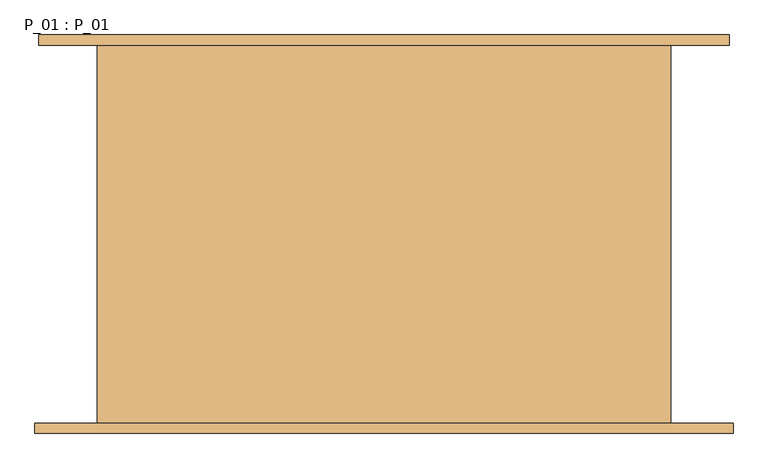
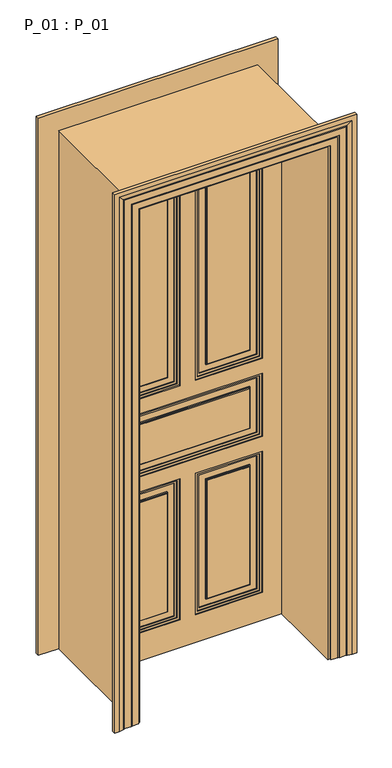
"""IFC4 building model written with IfcOpenShell, lengths in millimetres: door geometry, P_01 : P_01."""

from ifc_helpers import new_model, si_unit, frame, origin, origin_with_axes, place, context, project, spatial, polyline, outline, extrude, faceted_brep, source, transform, mapped, element, save


def p_01_p_01_f1260c46(model_context):
    return source(origin(), model_context, "Body", "SolidModel", [
        extrude(outline(polyline([(2300.0, 45.0), (1235.0, 45.0), (1235.0, 320.0), (2300.0, 320.0), (2300.0, 45.0)]), holes=[polyline([(2290.0, 55.0), (2290.0, 310.0), (1245.0, 310.0), (1245.0, 55.0), (2290.0, 55.0)])]), frame((0.0, 71.0, 0.0), z_axis=(0.0, 1.0, 0.0), x_axis=(0.0, 0.0, 1.0)), (0.0, 0.0, 1.0), 4.0),
        extrude(outline(polyline([(2300.0, -320.0), (1235.0, -320.0), (1235.0, -45.0), (2300.0, -45.0), (2300.0, -320.0)]), holes=[polyline([(2290.0, -310.0), (2290.0, -55.0), (1245.0, -55.0), (1245.0, -310.0), (2290.0, -310.0)])]), frame((0.0, 71.0, 0.0), z_axis=(0.0, 1.0, 0.0), x_axis=(0.0, 0.0, 1.0)), (0.0, 0.0, 1.0), 4.0),
        extrude(outline(polyline([(780.0, 45.0), (140.0, 45.0), (140.0, 320.0), (780.0, 320.0), (780.0, 45.0)]), holes=[polyline([(770.0, 55.0), (770.0, 310.0), (150.0, 310.0), (150.0, 55.0), (770.0, 55.0)])]), frame((0.0, 71.0, 0.0), z_axis=(0.0, 1.0, 0.0), x_axis=(0.0, 0.0, 1.0)), (0.0, 0.0, 1.0), 4.0),
        extrude(outline(polyline([(780.0, -320.0), (140.0, -320.0), (140.0, -45.0), (780.0, -45.0), (780.0, -320.0)]), holes=[polyline([(770.0, -310.0), (770.0, -55.0), (150.0, -55.0), (150.0, -310.0), (770.0, -310.0)])]), frame((0.0, 71.0, 0.0), z_axis=(0.0, 1.0, 0.0), x_axis=(0.0, 0.0, 1.0)), (0.0, 0.0, 1.0), 4.0),
        extrude(outline(polyline([(740.0, 85.0), (180.0, 85.0), (180.0, 280.0), (740.0, 280.0), (740.0, 85.0)]), holes=[polyline([(735.0, 90.0), (735.0, 275.0), (185.0, 275.0), (185.0, 90.0), (735.0, 90.0)])]), frame((0.0, 71.0, 0.0), z_axis=(0.0, 1.0, 0.0), x_axis=(0.0, 0.0, 1.0)), (0.0, 0.0, 1.0), 4.0),
        extrude(outline(polyline([(740.0, -280.0), (180.0, -280.0), (180.0, -85.0), (740.0, -85.0), (740.0, -280.0)]), holes=[polyline([(735.0, -275.0), (735.0, -90.0), (185.0, -90.0), (185.0, -275.0), (735.0, -275.0)])]), frame((0.0, 71.0, 0.0), z_axis=(0.0, 1.0, 0.0), x_axis=(0.0, 0.0, 1.0)), (0.0, 0.0, 1.0), 4.0),
        extrude(outline(polyline([(1145.0, -320.0), (870.0, -320.0), (870.0, 320.0), (1145.0, 320.0), (1145.0, -320.0)]), holes=[polyline([(1135.0, -310.0), (1135.0, 310.0), (880.0, 310.0), (880.0, -310.0), (1135.0, -310.0)])]), frame((0.0, 71.0, 0.0), z_axis=(0.0, 1.0, 0.0), x_axis=(0.0, 0.0, 1.0)), (0.0, 0.0, 1.0), 4.0),
        extrude(outline(polyline([(1105.0, -280.0), (910.0, -280.0), (910.0, 280.0), (1105.0, 280.0), (1105.0, -280.0)]), holes=[polyline([(1100.0, -275.0), (1100.0, 275.0), (915.0, 275.0), (915.0, -275.0), (1100.0, -275.0)])]), frame((0.0, 71.0, 0.0), z_axis=(0.0, 1.0, 0.0), x_axis=(0.0, 0.0, 1.0)), (0.0, 0.0, 1.0), 4.0),
        extrude(outline(polyline([(2260.0, 85.0), (1275.0, 85.0), (1275.0, 280.0), (2260.0, 280.0), (2260.0, 85.0)]), holes=[polyline([(2255.0, 90.0), (2255.0, 275.0), (1280.0, 275.0), (1280.0, 90.0), (2255.0, 90.0)])]), frame((0.0, 71.0, 0.0), z_axis=(0.0, 1.0, 0.0), x_axis=(0.0, 0.0, 1.0)), (0.0, 0.0, 1.0), 4.0),
        extrude(outline(polyline([(1275.0, -280.0), (1275.0, -85.0), (2260.0, -85.0), (2260.0, -280.0), (1275.0, -280.0)]), holes=[polyline([(1280.0, -275.0), (2255.0, -275.0), (2255.0, -90.0), (1280.0, -90.0), (1280.0, -275.0)])]), frame((0.0, 71.0, 0.0), z_axis=(0.0, 1.0, 0.0), x_axis=(0.0, 0.0, 1.0)), (0.0, 0.0, 1.0), 4.0),
        extrude(outline(polyline([(90.0, 75.0), (275.0, 75.0), (275.0, 67.0), (90.0, 67.0), (90.0, 75.0)])), frame((0.0, 0.0, 185.0), z_axis=(0.0, 0.0, 1.0), x_axis=(1.0, 0.0, 0.0)), (0.0, 0.0, 1.0), 550.0),
        extrude(outline(polyline([(-275.0, 75.0), (-90.0, 75.0), (-90.0, 67.0), (-275.0, 67.0), (-275.0, 75.0)])), frame((0.0, 0.0, 185.0), z_axis=(0.0, 0.0, 1.0), x_axis=(1.0, 0.0, 0.0)), (0.0, 0.0, 1.0), 550.0),
        extrude(outline(polyline([(-275.0, 75.0), (275.0, 75.0), (275.0, 67.0), (-275.0, 67.0), (-275.0, 75.0)])), frame((0.0, 0.0, 915.0), z_axis=(0.0, 0.0, 1.0), x_axis=(1.0, 0.0, 0.0)), (0.0, 0.0, 1.0), 185.0),
        extrude(outline(polyline([(90.0, 75.0), (275.0, 75.0), (275.0, 67.0), (90.0, 67.0), (90.0, 75.0)])), frame((0.0, 0.0, 1280.0), z_axis=(0.0, 0.0, 1.0), x_axis=(1.0, 0.0, 0.0)), (0.0, 0.0, 1.0), 975.0),
        extrude(outline(polyline([(-275.0, 75.0), (-90.0, 75.0), (-90.0, 67.0), (-275.0, 67.0), (-275.0, 75.0)])), frame((0.0, 0.0, 1280.0), z_axis=(0.0, 0.0, 1.0), x_axis=(1.0, 0.0, 0.0)), (0.0, 0.0, 1.0), 975.0),
        extrude(outline(polyline([(2310.0, -35.0), (2310.0, -330.0), (1225.0, -330.0), (1225.0, -35.0), (2310.0, -35.0)]), holes=[polyline([(2300.0, -320.0), (2300.0, -45.0), (1235.0, -45.0), (1235.0, -320.0), (2300.0, -320.0)])]), frame((0.0, 67.0, 0.0), z_axis=(0.0, 1.0, 0.0), x_axis=(0.0, 0.0, 1.0)), (0.0, 0.0, 1.0), 8.0),
        extrude(outline(polyline([(1225.0, 330.0), (2310.0, 330.0), (2310.0, 35.0), (1225.0, 35.0), (1225.0, 330.0)]), holes=[polyline([(2300.0, 45.0), (2300.0, 320.0), (1235.0, 320.0), (1235.0, 45.0), (2300.0, 45.0)])]), frame((0.0, 67.0, 0.0), z_axis=(0.0, 1.0, 0.0), x_axis=(0.0, 0.0, 1.0)), (0.0, 0.0, 1.0), 8.0),
        extrude(outline(polyline([(790.0, -330.0), (130.0, -330.0), (130.0, -35.0), (790.0, -35.0), (790.0, -330.0)]), holes=[polyline([(780.0, -320.0), (780.0, -45.0), (140.0, -45.0), (140.0, -320.0), (780.0, -320.0)])]), frame((0.0, 67.0, 0.0), z_axis=(0.0, 1.0, 0.0), x_axis=(0.0, 0.0, 1.0)), (0.0, 0.0, 1.0), 8.0),
        extrude(outline(polyline([(130.0, 330.0), (790.0, 330.0), (790.0, 35.0), (130.0, 35.0), (130.0, 330.0)]), holes=[polyline([(780.0, 45.0), (780.0, 320.0), (140.0, 320.0), (140.0, 45.0), (780.0, 45.0)])]), frame((0.0, 67.0, 0.0), z_axis=(0.0, 1.0, 0.0), x_axis=(0.0, 0.0, 1.0)), (0.0, 0.0, 1.0), 8.0),
        extrude(outline(polyline([(1155.0, -330.0), (860.0, -330.0), (860.0, 330.0), (1155.0, 330.0), (1155.0, -330.0)]), holes=[polyline([(1145.0, -320.0), (1145.0, 320.0), (870.0, 320.0), (870.0, -320.0), (1145.0, -320.0)])]), frame((0.0, 67.0, 0.0), z_axis=(0.0, 1.0, 0.0), x_axis=(0.0, 0.0, 1.0)), (0.0, 0.0, 1.0), 8.0),
        extrude(outline(polyline([(0.0, 415.0), (2395.0, 415.0), (2395.0, -415.0), (0.0, -415.0), (0.0, 415.0)]), holes=[polyline([(1225.0, 35.0), (2310.0, 35.0), (2310.0, 330.0), (1225.0, 330.0), (1225.0, 35.0)]), polyline([(1225.0, -35.0), (1225.0, -330.0), (2310.0, -330.0), (2310.0, -35.0), (1225.0, -35.0)]), polyline([(790.0, -35.0), (130.0, -35.0), (130.0, -330.0), (790.0, -330.0), (790.0, -35.0)]), polyline([(130.0, 35.0), (790.0, 35.0), (790.0, 330.0), (130.0, 330.0), (130.0, 35.0)]), polyline([(1155.0, 330.0), (860.0, 330.0), (860.0, -330.0), (1155.0, -330.0), (1155.0, 330.0)])]), frame((0.0, 63.0, 0.0), z_axis=(0.0, 1.0, 0.0), x_axis=(0.0, 0.0, 1.0)), (0.0, 0.0, 1.0), 12.0),
        extrude(outline(polyline([(275.0, 85.0), (90.0, 85.0), (90.0, 93.0), (275.0, 93.0), (275.0, 85.0)])), frame((0.0, 0.0, 185.0), z_axis=(0.0, 0.0, 1.0), x_axis=(1.0, 0.0, 0.0)), (0.0, 0.0, 1.0), 550.0),
        extrude(outline(polyline([(-90.0, 85.0), (-275.0, 85.0), (-275.0, 93.0), (-90.0, 93.0), (-90.0, 85.0)])), frame((0.0, 0.0, 185.0), z_axis=(0.0, 0.0, 1.0), x_axis=(1.0, 0.0, 0.0)), (0.0, 0.0, 1.0), 550.0),
        extrude(outline(polyline([(275.0, 85.0), (-275.0, 85.0), (-275.0, 93.0), (275.0, 93.0), (275.0, 85.0)])), frame((0.0, 0.0, 915.0), z_axis=(0.0, 0.0, 1.0), x_axis=(1.0, 0.0, 0.0)), (0.0, 0.0, 1.0), 185.0),
        extrude(outline(polyline([(275.0, 85.0), (90.0, 85.0), (90.0, 93.0), (275.0, 93.0), (275.0, 85.0)])), frame((0.0, 0.0, 1280.0), z_axis=(0.0, 0.0, 1.0), x_axis=(1.0, 0.0, 0.0)), (0.0, 0.0, 1.0), 975.0),
        extrude(outline(polyline([(-90.0, 85.0), (-275.0, 85.0), (-275.0, 93.0), (-90.0, 93.0), (-90.0, 85.0)])), frame((0.0, 0.0, 1280.0), z_axis=(0.0, 0.0, 1.0), x_axis=(1.0, 0.0, 0.0)), (0.0, 0.0, 1.0), 975.0),
        extrude(outline(polyline([(420.0, 75.0), (-420.0, 75.0), (-420.0, 85.0), (420.0, 85.0), (420.0, 75.0)])), origin_with_axes(), (0.0, 0.0, 1.0), 2400.0),
        extrude(outline(polyline([(2300.0, 45.0), (1235.0, 45.0), (1235.0, 320.0), (2300.0, 320.0), (2300.0, 45.0)]), holes=[polyline([(2290.0, 55.0), (2290.0, 310.0), (1245.0, 310.0), (1245.0, 55.0), (2290.0, 55.0)])]), frame((0.0, 85.0, 0.0), z_axis=(0.0, 1.0, 0.0), x_axis=(0.0, 0.0, 1.0)), (0.0, 0.0, 1.0), 4.0),
        extrude(outline(polyline([(2300.0, -320.0), (1235.0, -320.0), (1235.0, -45.0), (2300.0, -45.0), (2300.0, -320.0)]), holes=[polyline([(2290.0, -310.0), (2290.0, -55.0), (1245.0, -55.0), (1245.0, -310.0), (2290.0, -310.0)])]), frame((0.0, 85.0, 0.0), z_axis=(0.0, 1.0, 0.0), x_axis=(0.0, 0.0, 1.0)), (0.0, 0.0, 1.0), 4.0),
        extrude(outline(polyline([(780.0, 45.0), (140.0, 45.0), (140.0, 320.0), (780.0, 320.0), (780.0, 45.0)]), holes=[polyline([(770.0, 55.0), (770.0, 310.0), (150.0, 310.0), (150.0, 55.0), (770.0, 55.0)])]), frame((0.0, 85.0, 0.0), z_axis=(0.0, 1.0, 0.0), x_axis=(0.0, 0.0, 1.0)), (0.0, 0.0, 1.0), 4.0),
        extrude(outline(polyline([(780.0, -320.0), (140.0, -320.0), (140.0, -45.0), (780.0, -45.0), (780.0, -320.0)]), holes=[polyline([(770.0, -310.0), (770.0, -55.0), (150.0, -55.0), (150.0, -310.0), (770.0, -310.0)])]), frame((0.0, 85.0, 0.0), z_axis=(0.0, 1.0, 0.0), x_axis=(0.0, 0.0, 1.0)), (0.0, 0.0, 1.0), 4.0),
        extrude(outline(polyline([(740.0, 85.0), (180.0, 85.0), (180.0, 280.0), (740.0, 280.0), (740.0, 85.0)]), holes=[polyline([(735.0, 90.0), (735.0, 275.0), (185.0, 275.0), (185.0, 90.0), (735.0, 90.0)])]), frame((0.0, 85.0, 0.0), z_axis=(0.0, 1.0, 0.0), x_axis=(0.0, 0.0, 1.0)), (0.0, 0.0, 1.0), 4.0),
        extrude(outline(polyline([(740.0, -280.0), (180.0, -280.0), (180.0, -85.0), (740.0, -85.0), (740.0, -280.0)]), holes=[polyline([(735.0, -275.0), (735.0, -90.0), (185.0, -90.0), (185.0, -275.0), (735.0, -275.0)])]), frame((0.0, 85.0, 0.0), z_axis=(0.0, 1.0, 0.0), x_axis=(0.0, 0.0, 1.0)), (0.0, 0.0, 1.0), 4.0),
        extrude(outline(polyline([(1145.0, -320.0), (870.0, -320.0), (870.0, 320.0), (1145.0, 320.0), (1145.0, -320.0)]), holes=[polyline([(1135.0, -310.0), (1135.0, 310.0), (880.0, 310.0), (880.0, -310.0), (1135.0, -310.0)])]), frame((0.0, 85.0, 0.0), z_axis=(0.0, 1.0, 0.0), x_axis=(0.0, 0.0, 1.0)), (0.0, 0.0, 1.0), 4.0),
        extrude(outline(polyline([(1105.0, -280.0), (910.0, -280.0), (910.0, 280.0), (1105.0, 280.0), (1105.0, -280.0)]), holes=[polyline([(1100.0, -275.0), (1100.0, 275.0), (915.0, 275.0), (915.0, -275.0), (1100.0, -275.0)])]), frame((0.0, 85.0, 0.0), z_axis=(0.0, 1.0, 0.0), x_axis=(0.0, 0.0, 1.0)), (0.0, 0.0, 1.0), 4.0),
        extrude(outline(polyline([(2260.0, 85.0), (1275.0, 85.0), (1275.0, 280.0), (2260.0, 280.0), (2260.0, 85.0)]), holes=[polyline([(2255.0, 90.0), (2255.0, 275.0), (1280.0, 275.0), (1280.0, 90.0), (2255.0, 90.0)])]), frame((0.0, 85.0, 0.0), z_axis=(0.0, 1.0, 0.0), x_axis=(0.0, 0.0, 1.0)), (0.0, 0.0, 1.0), 4.0),
        extrude(outline(polyline([(1275.0, -280.0), (1275.0, -85.0), (2260.0, -85.0), (2260.0, -280.0), (1275.0, -280.0)]), holes=[polyline([(1280.0, -275.0), (2255.0, -275.0), (2255.0, -90.0), (1280.0, -90.0), (1280.0, -275.0)])]), frame((0.0, 85.0, 0.0), z_axis=(0.0, 1.0, 0.0), x_axis=(0.0, 0.0, 1.0)), (0.0, 0.0, 1.0), 4.0),
        extrude(outline(polyline([(2310.0, -35.0), (2310.0, -330.0), (1225.0, -330.0), (1225.0, -35.0), (2310.0, -35.0)]), holes=[polyline([(2300.0, -320.0), (2300.0, -45.0), (1235.0, -45.0), (1235.0, -320.0), (2300.0, -320.0)])]), frame((0.0, 85.0, 0.0), z_axis=(0.0, 1.0, 0.0), x_axis=(0.0, 0.0, 1.0)), (0.0, 0.0, 1.0), 8.0),
        extrude(outline(polyline([(1225.0, 330.0), (2310.0, 330.0), (2310.0, 35.0), (1225.0, 35.0), (1225.0, 330.0)]), holes=[polyline([(2300.0, 45.0), (2300.0, 320.0), (1235.0, 320.0), (1235.0, 45.0), (2300.0, 45.0)])]), frame((0.0, 85.0, 0.0), z_axis=(0.0, 1.0, 0.0), x_axis=(0.0, 0.0, 1.0)), (0.0, 0.0, 1.0), 8.0),
        extrude(outline(polyline([(790.0, -330.0), (130.0, -330.0), (130.0, -35.0), (790.0, -35.0), (790.0, -330.0)]), holes=[polyline([(780.0, -320.0), (780.0, -45.0), (140.0, -45.0), (140.0, -320.0), (780.0, -320.0)])]), frame((0.0, 85.0, 0.0), z_axis=(0.0, 1.0, 0.0), x_axis=(0.0, 0.0, 1.0)), (0.0, 0.0, 1.0), 8.0),
        extrude(outline(polyline([(130.0, 330.0), (790.0, 330.0), (790.0, 35.0), (130.0, 35.0), (130.0, 330.0)]), holes=[polyline([(780.0, 45.0), (780.0, 320.0), (140.0, 320.0), (140.0, 45.0), (780.0, 45.0)])]), frame((0.0, 85.0, 0.0), z_axis=(0.0, 1.0, 0.0), x_axis=(0.0, 0.0, 1.0)), (0.0, 0.0, 1.0), 8.0),
        extrude(outline(polyline([(1155.0, -330.0), (860.0, -330.0), (860.0, 330.0), (1155.0, 330.0), (1155.0, -330.0)]), holes=[polyline([(1145.0, -320.0), (1145.0, 320.0), (870.0, 320.0), (870.0, -320.0), (1145.0, -320.0)])]), frame((0.0, 85.0, 0.0), z_axis=(0.0, 1.0, 0.0), x_axis=(0.0, 0.0, 1.0)), (0.0, 0.0, 1.0), 8.0),
        extrude(outline(polyline([(0.0, 415.0), (2395.0, 415.0), (2395.0, -415.0), (0.0, -415.0), (0.0, 415.0)]), holes=[polyline([(1225.0, 35.0), (2310.0, 35.0), (2310.0, 330.0), (1225.0, 330.0), (1225.0, 35.0)]), polyline([(1225.0, -35.0), (1225.0, -330.0), (2310.0, -330.0), (2310.0, -35.0), (1225.0, -35.0)]), polyline([(790.0, -35.0), (130.0, -35.0), (130.0, -330.0), (790.0, -330.0), (790.0, -35.0)]), polyline([(130.0, 35.0), (790.0, 35.0), (790.0, 330.0), (130.0, 330.0), (130.0, 35.0)]), polyline([(1155.0, 330.0), (860.0, 330.0), (860.0, -330.0), (1155.0, -330.0), (1155.0, 330.0)])]), frame((0.0, 85.0, 0.0), z_axis=(0.0, 1.0, 0.0), x_axis=(0.0, 0.0, 1.0)), (0.0, 0.0, 1.0), 12.0),
        extrude(outline(polyline([(0.0, 415.0), (0.0, 420.0), (2400.0, 420.0), (2400.0, -420.0), (0.0, -420.0), (0.0, -415.0), (2395.0, -415.0), (2395.0, 415.0), (0.0, 415.0)])), frame((0.0, 85.0, 0.0), z_axis=(0.0, 1.0, 0.0), x_axis=(0.0, 0.0, 1.0)), (0.0, 0.0, 1.0), 5.0),
        faceted_brep([(530.0, 290.0, 0.0), (440.0, 290.0, 0.0), (440.0, -290.0, 0.0), (536.0, -290.0, 0.0), (536.0, -306.0, 0.0), (516.0, -306.0, 0.0), (496.0, -302.0291126, 0.0), (496.0, -301.0291126, 0.0), (491.0, -301.0291126, 0.0), (491.0, -300.0291126, 0.0), (461.0, -300.0291126, 0.0), (461.0, -299.0291126, 0.0), (456.0, -299.0291126, 0.0), (456.0, -298.0291126, 0.0), (426.0, -298.0291126, 0.0), (426.0, -290.0, 0.0), (416.0, -290.0, 0.0), (416.0, 290.0, 0.0), (426.0, 290.0, 0.0), (426.0, 298.0291126, 0.0), (456.0, 298.0291126, 0.0), (456.0, 299.0291126, 0.0), (461.0, 299.0291126, 0.0), (461.0, 300.0291126, 0.0), (485.0, 300.0291126, 0.0), (485.0, 301.0291126, 0.0), (490.0, 301.0291126, 0.0), (490.0, 302.0291126, 0.0), (510.0, 306.0, 0.0), (530.0, 306.0, 0.0), (530.0, 290.0, 2510.0), (-530.0, 290.0, 2510.0), (-530.0, 290.0, 0.0), (-440.0, 290.0, 0.0), (-440.0, 290.0, 2420.0), (440.0, 290.0, 2420.0), (440.0, -290.0, 2420.0), (-440.0, -290.0, 2420.0), (-440.0, -290.0, 0.0), (-536.0, -290.0, 0.0), (-536.0, -290.0, 2516.0), (536.0, -290.0, 2516.0), (536.0, -306.0, 2516.0), (-536.0, -306.0, 2516.0), (-536.0, -306.0, 0.0), (-516.0, -306.0, 0.0), (-516.0, -306.0, 2496.0), (516.0, -306.0, 2496.0), (496.0, -302.0291126, 2476.0), (496.0, -301.0291126, 2476.0), (-496.0, -301.0291126, 2476.0), (-496.0, -301.0291126, 0.0), (-491.0, -301.0291126, 0.0), (-491.0, -301.0291126, 2471.0), (491.0, -301.0291126, 2471.0), (491.0, -300.0291126, 2471.0), (-491.0, -300.0291126, 2471.0), (-491.0, -300.0291126, 0.0), (-461.0, -300.0291126, 0.0), (-461.0, -300.0291126, 2441.0), (461.0, -300.0291126, 2441.0), (461.0, -299.0291126, 2441.0), (-461.0, -299.0291126, 2441.0), (-461.0, -299.0291126, 0.0), (-456.0, -299.0291126, 0.0), (-456.0, -299.0291126, 2436.0), (456.0, -299.0291126, 2436.0), (456.0, -298.0291126, 2436.0), (-456.0, -298.0291126, 2436.0), (-456.0, -298.0291126, 0.0), (-426.0, -298.0291126, 0.0), (-426.0, -298.0291126, 2406.0), (426.0, -298.0291126, 2406.0), (426.0, -290.0, 2406.0), (-426.0, -290.0, 2406.0), (-426.0, -290.0, 0.0), (-416.0, -290.0, 0.0), (-416.0, -290.0, 2396.0), (416.0, -290.0, 2396.0), (416.0, 290.0, 2396.0), (-416.0, 290.0, 2396.0), (-416.0, 290.0, 0.0), (-426.0, 290.0, 0.0), (-426.0, 290.0, 2406.0), (426.0, 290.0, 2406.0), (426.0, 298.0291126, 2406.0), (-426.0, 298.0291126, 2406.0), (-426.0, 298.0291126, 0.0), (-456.0, 298.0291126, 0.0), (-456.0, 298.0291126, 2436.0), (456.0, 298.0291126, 2436.0), (456.0, 299.0291126, 2436.0), (-456.0, 299.0291126, 2436.0), (-456.0, 299.0291126, 0.0), (-461.0, 299.0291126, 0.0), (-461.0, 299.0291126, 2441.0), (461.0, 299.0291126, 2441.0), (461.0, 300.0291126, 2441.0), (-461.0, 300.0291126, 2441.0), (-461.0, 300.0291126, 0.0), (-485.0, 300.0291126, 0.0), (-485.0, 300.0291126, 2465.0), (485.0, 300.0291126, 2465.0), (485.0, 301.0291126, 2465.0), (-485.0, 301.0291126, 2465.0), (-485.0, 301.0291126, 0.0), (-490.0, 301.0291126, 0.0), (-490.0, 301.0291126, 2470.0), (490.0, 301.0291126, 2470.0), (490.0, 302.0291126, 2470.0), (510.0, 306.0, 2490.0), (-510.0, 306.0, 2490.0), (-510.0, 306.0, 0.0), (-530.0, 306.0, 0.0), (-530.0, 306.0, 2510.0), (530.0, 306.0, 2510.0), (-490.0, 302.0291126, 0.0), (-496.0, -302.0291126, 0.0), (-490.0, 302.0291126, 2470.0), (-496.0, -302.0291126, 2476.0)], [[[0, 1, 2, 3, 4, 5, 6, 7, 8, 9, 10, 11, 12, 13, 14, 15, 16, 17, 18, 19, 20, 21, 22, 23, 24, 25, 26, 27, 28, 29]], [[1, 0, 30, 31, 32, 33, 34, 35]], [[2, 1, 35, 36]], [[3, 2, 36, 37, 38, 39, 40, 41]], [[4, 3, 41, 42]], [[5, 4, 42, 43, 44, 45, 46, 47]], [[6, 5, 47, 48]], [[7, 6, 48, 49]], [[8, 7, 49, 50, 51, 52, 53, 54]], [[9, 8, 54, 55]], [[10, 9, 55, 56, 57, 58, 59, 60]], [[11, 10, 60, 61]], [[12, 11, 61, 62, 63, 64, 65, 66]], [[13, 12, 66, 67]], [[14, 13, 67, 68, 69, 70, 71, 72]], [[15, 14, 72, 73]], [[16, 15, 73, 74, 75, 76, 77, 78]], [[17, 16, 78, 79]], [[18, 17, 79, 80, 81, 82, 83, 84]], [[19, 18, 84, 85]], [[20, 19, 85, 86, 87, 88, 89, 90]], [[21, 20, 90, 91]], [[22, 21, 91, 92, 93, 94, 95, 96]], [[23, 22, 96, 97]], [[24, 23, 97, 98, 99, 100, 101, 102]], [[25, 24, 102, 103]], [[26, 25, 103, 104, 105, 106, 107, 108]], [[27, 26, 108, 109]], [[28, 27, 109, 110]], [[29, 28, 110, 111, 112, 113, 114, 115]], [[0, 29, 115, 30]], [[31, 114, 113, 32]], [[32, 113, 112, 116, 106, 105, 100, 99, 94, 93, 88, 87, 82, 81, 76, 75, 70, 69, 64, 63, 58, 57, 52, 51, 117, 45, 44, 39, 38, 33]], [[37, 34, 33, 38]], [[74, 71, 70, 75]], [[80, 77, 76, 81]], [[86, 83, 82, 87]], [[111, 118, 116, 112]], [[118, 107, 106, 116]], [[104, 101, 100, 105]], [[98, 95, 94, 99]], [[92, 89, 88, 93]], [[68, 65, 64, 69]], [[62, 59, 58, 63]], [[56, 53, 52, 57]], [[50, 119, 117, 51]], [[119, 46, 45, 117]], [[43, 40, 39, 44]], [[30, 115, 114, 31]], [[36, 35, 34, 37]], [[73, 72, 71, 74]], [[79, 78, 77, 80]], [[85, 84, 83, 86]], [[91, 90, 89, 92]], [[97, 96, 95, 98]], [[103, 102, 101, 104]], [[109, 108, 107, 118]], [[110, 109, 118, 111]], [[42, 41, 40, 43]], [[48, 47, 46, 119]], [[49, 48, 119, 50]], [[55, 54, 53, 56]], [[61, 60, 59, 62]], [[67, 66, 65, 68]]]),
    ])


if __name__ == "__main__":
    model = new_model("IFC4")
    model_context = context("Model", 3, world=origin())
    ifc_project = project(units=[si_unit("LENGTHUNIT", "METRE", prefix="MILLI")], contexts=[model_context])
    site = spatial("IfcSite", under=ifc_project)
    building = spatial("IfcBuilding", under=site)
    placement = place(None, origin())
    p_01_p_01_shape = p_01_p_01_f1260c46(model_context)
    element("IfcDoor", 1, ObjectType="P_01 : P_01", at=placement, inside=building, context=model_context, shape_type="MappedRepresentation", body=[
        mapped(p_01_p_01_shape, transform((0.0, 0.0, 0.0), x_axis=(1.0, 0.0, 0.0), y_axis=(0.0, 1.0, 0.0), z_axis=(0.0, 0.0, 1.0))),
    ])
    save(model, "model.ifc")
